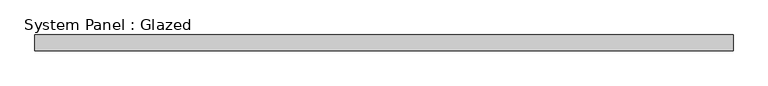
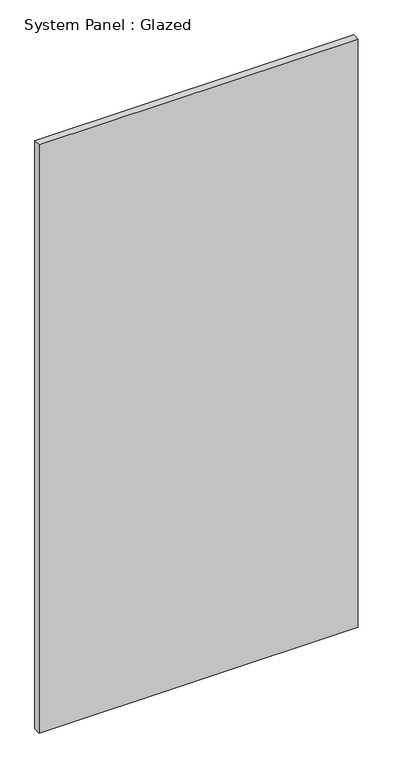
"""IFC4 building model written with IfcOpenShell, lengths in millimetres: plate geometry, System Panel : Glazed."""

from ifc_helpers import new_model, si_unit, origin, origin_with_axes, place, context, project, spatial, polyline, outline, extrude, source, transform, mapped, element, save


def system_panel_glazed_2e8e06c2(model_context):
    return source(origin(), model_context, "Body", "SweptSolid", [
        extrude(outline(polyline([(561.975, 19.05), (-561.975, 19.05), (-561.975, 44.45), (561.975, 44.45), (561.975, 19.05)])), origin_with_axes(), (0.0, 0.0, 1.0), 2190.75),
    ])


if __name__ == "__main__":
    model = new_model("IFC4")
    model_context = context("Model", 3, world=origin())
    ifc_project = project(units=[si_unit("LENGTHUNIT", "METRE", prefix="MILLI")], contexts=[model_context])
    site = spatial("IfcSite", under=ifc_project)
    building = spatial("IfcBuilding", under=site)
    placement = place(None, origin())
    system_panel_glazed_shape = system_panel_glazed_2e8e06c2(model_context)
    element("IfcPlate", 1, ObjectType="System Panel : Glazed", at=placement, inside=building, context=model_context, shape_type="MappedRepresentation", body=[
        mapped(system_panel_glazed_shape, transform((0.0, 0.0, 0.0), x_axis=(1.0, 0.0, 0.0), y_axis=(0.0, 1.0, 0.0), z_axis=(0.0, 0.0, 1.0))),
    ])
    save(model, "model.ifc")
